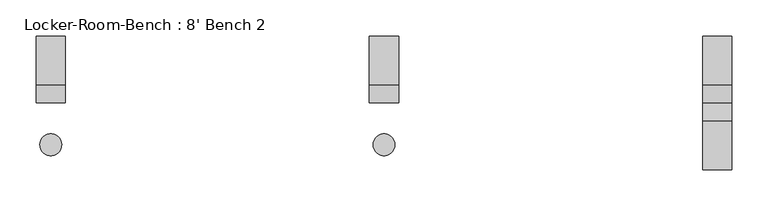
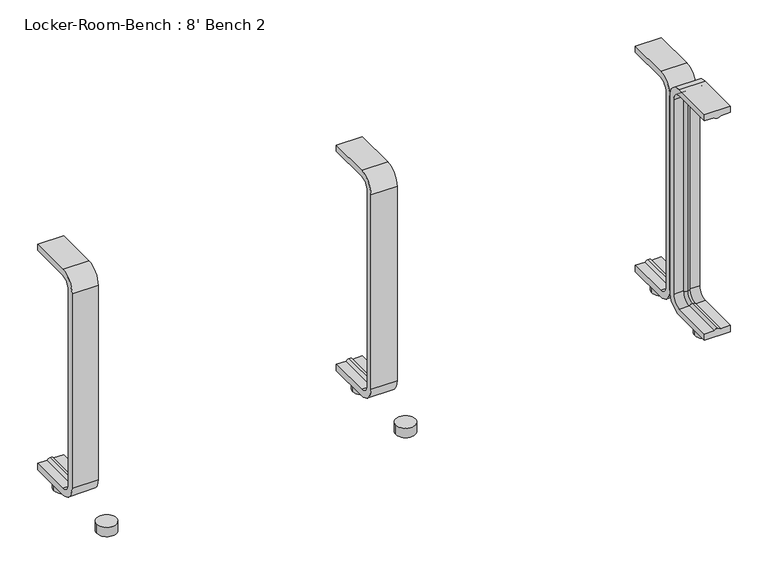
"""IFC4 building model written with IfcOpenShell, lengths in millimetres: proxy geometry, Locker-Room-Bench : 8' Bench 2."""

from ifc_helpers import new_model, si_unit, point, frame, frame_2d, origin, origin_with_axes, place, context, project, spatial, polyline, circle_curve, ellipse_curve, trimmed, segment, composite_curve, outline, extrude, source, transform, mapped, element, save
from ifc_brep_helpers import plane_surface, cylinder_surface, revolved_surface, advanced_brep


def locker_room_bench_8_bench_2_fc5dcc5e(model_context):
    return source(origin(), model_context, "Body", "SolidModel", [
        extrude(outline(composite_curve([segment(trimmed(circle_curve(frame_2d((459.6, -57.5)), 15.0), [point((444.6, -57.5))], [point((474.6, -57.5))], False, "CARTESIAN"), True, "CONTINUOUS"), segment(trimmed(circle_curve(frame_2d((459.6, -57.5)), 15.0), [point((474.6, -57.5))], [point((444.6, -57.5))], False, "CARTESIAN"), True, "CONTINUOUS")], self_intersect=False)), origin_with_axes(), (0.0, 0.0, 1.0), 15.0),
        extrude(outline(composite_curve([segment(trimmed(circle_curve(frame_2d((459.6, 57.5)), 15.0), [point((444.6, 57.5))], [point((474.6, 57.5))], False, "CARTESIAN"), True, "CONTINUOUS"), segment(trimmed(circle_curve(frame_2d((459.6, 57.5)), 15.0), [point((474.6, 57.5))], [point((444.6, 57.5))], False, "CARTESIAN"), True, "CONTINUOUS")], self_intersect=False)), origin_with_axes(), (0.0, 0.0, 1.0), 15.0),
        extrude(outline(composite_curve([segment(trimmed(circle_curve(frame_2d((0.0, -57.5)), 15.0), [point((-15.0, -57.5))], [point((15.0, -57.5))], False, "CARTESIAN"), True, "CONTINUOUS"), segment(trimmed(circle_curve(frame_2d((0.0, -57.5)), 15.0), [point((15.0, -57.5))], [point((-15.0, -57.5))], False, "CARTESIAN"), True, "CONTINUOUS")], self_intersect=False)), origin_with_axes(), (0.0, 0.0, 1.0), 15.0),
        extrude(outline(composite_curve([segment(trimmed(circle_curve(frame_2d((0.0, 57.5)), 15.0), [point((-15.0, 57.5))], [point((15.0, 57.5))], False, "CARTESIAN"), True, "CONTINUOUS"), segment(trimmed(circle_curve(frame_2d((0.0, 57.5)), 15.0), [point((15.0, 57.5))], [point((-15.0, 57.5))], False, "CARTESIAN"), True, "CONTINUOUS")], self_intersect=False)), origin_with_axes(), (0.0, 0.0, 1.0), 15.0),
        extrude(outline(composite_curve([segment(trimmed(circle_curve(frame_2d((-459.6, -57.5)), 15.0), [point((-474.6, -57.5))], [point((-444.6, -57.5))], False, "CARTESIAN"), True, "CONTINUOUS"), segment(trimmed(circle_curve(frame_2d((-459.6, -57.5)), 15.0), [point((-444.6, -57.5))], [point((-474.6, -57.5))], False, "CARTESIAN"), True, "CONTINUOUS")], self_intersect=False)), origin_with_axes(), (0.0, 0.0, 1.0), 15.0),
        extrude(outline(composite_curve([segment(trimmed(circle_curve(frame_2d((-459.6, 57.5)), 15.0), [point((-474.6, 57.5))], [point((-444.6, 57.5))], False, "CARTESIAN"), True, "CONTINUOUS"), segment(trimmed(circle_curve(frame_2d((-459.6, 57.5)), 15.0), [point((-444.6, 57.5))], [point((-474.6, 57.5))], False, "CARTESIAN"), True, "CONTINUOUS")], self_intersect=False)), origin_with_axes(), (0.0, 0.0, 1.0), 15.0),
        advanced_brep(
        [(479.6, 92.0, 381.4), (479.6, 92.0, 371.4), (464.6, 92.0, 371.4), (459.6, 92.0, 369.0684617), (454.6, 92.0, 371.4), (439.6, 92.0, 371.4), (439.6, 92.0, 381.4), (479.6, 25.0, 381.4), (479.6, 0.0, 356.4), (479.6, 0.0, 40.0), (479.6, 25.0, 15.0), (479.6, 92.0, 15.0), (479.6, 92.0, 25.0), (479.6, 25.0, 25.0), (479.6, 10.0, 40.0), (479.6, 10.0, 356.4), (479.6, 25.0, 371.4), (464.6, 25.0, 371.4), (459.6, 25.0, 369.0684617), (454.6, 25.0, 371.4), (439.6, 25.0, 371.4), (439.6, 10.0, 356.4), (439.6, 10.0, 40.0), (439.6, 25.0, 25.0), (439.6, 92.0, 25.0), (439.6, 92.0, 15.0), (439.6, 25.0, 15.0), (439.6, 0.0, 40.0), (439.6, 0.0, 356.4), (439.6, 25.0, 381.4), (464.6, 10.0, 356.4), (459.6, 12.3315383, 356.4), (454.6, 10.0, 356.4), (464.6, 10.0, 40.0), (459.6, 12.3315383, 40.0), (454.6, 10.0, 40.0), (464.6, 25.0, 25.0), (459.6, 25.0, 27.3315383), (454.6, 25.0, 25.0), (454.6, 92.0, 25.0), (459.6, 92.0, 27.3315383), (464.6, 92.0, 25.0)],
        [
            (0, 1),
            (1, 2),
            (2, 3, circle_curve(frame((459.8996409, 92.0, 374.9529162), z_axis=(0.0, 1.0, 0.0), x_axis=(0.0, 0.0, -1.0)), 5.8920785)),
            (3, 4, circle_curve(frame((459.3003591, 92.0, 374.9529162), z_axis=(0.0, 1.0, 0.0), x_axis=(0.0, 0.0, -1.0)), 5.8920785)),
            (4, 5),
            (5, 6),
            (6, 0),
            (0, 7),
            (7, 8, circle_curve(frame((479.6, 25.0, 356.4), z_axis=(1.0, 0.0, 0.0), x_axis=(0.0, 0.0, 1.0)), 25.0)),
            (8, 9),
            (9, 10, circle_curve(frame((479.6, 25.0, 40.0), z_axis=(1.0, 0.0, 0.0), x_axis=(0.0, -1.0, 0.0)), 25.0)),
            (10, 11),
            (11, 12),
            (12, 13),
            (13, 14, circle_curve(frame((479.6, 25.0, 40.0), z_axis=(-1.0, 0.0, 0.0), x_axis=(0.0, -1.0, 0.0)), 15.0)),
            (14, 15),
            (15, 16, circle_curve(frame((479.6, 25.0, 356.4), z_axis=(-1.0, 0.0, 0.0), x_axis=(0.0, 0.0, 1.0)), 15.0)),
            (16, 1),
            (16, 17),
            (17, 2),
            (17, 18, circle_curve(frame((459.8996409, 25.0, 374.9529162), z_axis=(0.0, 1.0, 0.0), x_axis=(0.0, 0.0, -1.0)), 5.8920785)),
            (18, 3),
            (18, 19, circle_curve(frame((459.3003591, 25.0, 374.9529162), z_axis=(0.0, 1.0, 0.0), x_axis=(0.0, 0.0, -1.0)), 5.8920785)),
            (19, 4),
            (19, 20),
            (20, 5),
            (20, 21, circle_curve(frame((439.6, 25.0, 356.4), z_axis=(1.0, 0.0, 0.0), x_axis=(0.0, 0.0, 1.0)), 15.0)),
            (21, 22),
            (22, 23, circle_curve(frame((439.6, 25.0, 40.0), z_axis=(1.0, 0.0, 0.0), x_axis=(0.0, -1.0, 0.0)), 15.0)),
            (23, 24),
            (24, 25),
            (25, 26),
            (26, 27, circle_curve(frame((439.6, 25.0, 40.0), z_axis=(-1.0, 0.0, 0.0), x_axis=(0.0, -1.0, 0.0)), 25.0)),
            (27, 28),
            (28, 29, circle_curve(frame((439.6, 25.0, 356.4), z_axis=(-1.0, 0.0, 0.0), x_axis=(0.0, 0.0, 1.0)), 25.0)),
            (29, 6),
            (29, 7),
            (30, 17, circle_curve(frame((464.6, 25.0, 356.4), z_axis=(-1.0, 0.0, 0.0), x_axis=(0.0, 0.0, 1.0)), 15.0)),
            (15, 30),
            (31, 18, circle_curve(frame((459.6, 25.0, 356.4), z_axis=(-1.0, 0.0, 0.0), x_axis=(0.0, 0.0, 1.0)), 12.6684617)),
            (30, 31, circle_curve(frame((459.8996409, 6.4470838, 356.4), z_axis=(0.0, 0.0, 1.0), x_axis=(0.0, 1.0, 0.0)), 5.8920785)),
            (32, 19, circle_curve(frame((454.6, 25.0, 356.4), z_axis=(-1.0, 0.0, 0.0), x_axis=(0.0, 0.0, 1.0)), 15.0)),
            (31, 32, circle_curve(frame((459.3003591, 6.4470838, 356.4), z_axis=(0.0, 0.0, 1.0), x_axis=(0.0, 1.0, 0.0)), 5.8920785)),
            (32, 21),
            (28, 8),
            (14, 33),
            (33, 30),
            (33, 34, circle_curve(frame((459.8996409, 6.4470838, 40.0), z_axis=(0.0, 0.0, 1.0), x_axis=(0.0, 1.0, 0.0)), 5.8920785)),
            (34, 31),
            (34, 35, circle_curve(frame((459.3003591, 6.4470838, 40.0), z_axis=(0.0, 0.0, 1.0), x_axis=(0.0, 1.0, 0.0)), 5.8920785)),
            (35, 32),
            (35, 22),
            (27, 9),
            (36, 33, circle_curve(frame((464.6, 25.0, 40.0), z_axis=(-1.0, 0.0, 0.0), x_axis=(0.0, -1.0, 0.0)), 15.0)),
            (13, 36),
            (37, 34, circle_curve(frame((459.6, 25.0, 40.0), z_axis=(-1.0, 0.0, 0.0), x_axis=(0.0, -1.0, 0.0)), 12.6684617)),
            (36, 37, circle_curve(frame((459.8996409, 25.0, 21.4470838), z_axis=(0.0, -1.0, 0.0), x_axis=(0.0, 0.0, 1.0)), 5.8920785)),
            (38, 35, circle_curve(frame((454.6, 25.0, 40.0), z_axis=(-1.0, 0.0, 0.0), x_axis=(0.0, -1.0, 0.0)), 15.0)),
            (37, 38, circle_curve(frame((459.3003591, 25.0, 21.4470838), z_axis=(0.0, -1.0, 0.0), x_axis=(0.0, 0.0, 1.0)), 5.8920785)),
            (38, 23),
            (26, 10),
            (11, 25),
            (24, 39),
            (39, 40, circle_curve(frame((459.3003591, 92.0, 21.4470838), z_axis=(0.0, 1.0, 0.0), x_axis=(0.0, 0.0, 1.0)), 5.8920785)),
            (40, 41, circle_curve(frame((459.8996409, 92.0, 21.4470838), z_axis=(0.0, 1.0, 0.0), x_axis=(0.0, 0.0, 1.0)), 5.8920785)),
            (41, 12),
            (41, 36),
            (40, 37),
            (39, 38),
        ],
        [
            plane_surface(frame((459.6, 92.0, 381.4), z_axis=(0.0, 1.0, 0.0), x_axis=(1.0, 0.0, 0.0))),
            plane_surface(frame((479.6, 92.0, 381.4), z_axis=(1.0, 0.0, 0.0), x_axis=(0.0, -1.0, 0.0))),
            plane_surface(frame((479.6, 92.0, 371.4), z_axis=(0.0, 0.0, -1.0), x_axis=(0.0, -1.0, 0.0))),
            cylinder_surface(frame((459.8996409, 92.0, 374.9529162), z_axis=(0.0, 1.0, 0.0), x_axis=(0.0, 0.0, -1.0)), 5.8920785),
            cylinder_surface(frame((459.3003591, 92.0, 374.9529162), z_axis=(0.0, 1.0, 0.0), x_axis=(0.0, 0.0, -1.0)), 5.8920785),
            plane_surface(frame((454.6, 92.0, 371.4), z_axis=(0.0, 0.0, -1.0), x_axis=(0.0, -1.0, 0.0))),
            plane_surface(frame((439.6, 92.0, 371.4), z_axis=(-1.0, 0.0, 0.0), x_axis=(0.0, -1.0, 0.0))),
            plane_surface(frame((439.6, 92.0, 381.4), z_axis=(0.0, 0.0, 1.0), x_axis=(0.0, -1.0, 0.0))),
            revolved_surface(polyline([(479.6, 25.0, 371.4), (464.6, 25.0, 371.4)]), (459.6, 25.0, 356.4), (1.0, 0.0, 0.0)),
            revolved_surface(trimmed(ellipse_curve(frame((459.8996409, 25.0, 374.9529162), z_axis=(0.0, 1.0, 0.0), x_axis=(0.0, 0.0, -1.0)), 5.8920785, 5.8920785), [point((464.6, 25.0, 371.4))], [point((459.6, 25.0, 369.0684617))], True, "CARTESIAN"), (459.6, 25.0, 356.4), (1.0, 0.0, 0.0)),
            revolved_surface(trimmed(ellipse_curve(frame((459.3003591, 25.0, 374.9529162), z_axis=(0.0, 1.0, 0.0), x_axis=(0.0, 0.0, -1.0)), 5.8920785, 5.8920785), [point((459.6, 25.0, 369.0684617))], [point((454.6, 25.0, 371.4))], True, "CARTESIAN"), (459.6, 25.0, 356.4), (1.0, 0.0, 0.0)),
            revolved_surface(polyline([(454.6, 25.0, 371.4), (439.6, 25.0, 371.4)]), (459.6, 25.0, 356.4), (1.0, 0.0, 0.0)),
            cylinder_surface(frame((459.6, 25.0, 356.4), z_axis=(1.0, 0.0, 0.0), x_axis=(0.0, 0.0, 1.0)), 25.0),
            plane_surface(frame((479.6, 10.0, 356.4), z_axis=(0.0, 1.0, 0.0), x_axis=(0.0, 0.0, -1.0))),
            cylinder_surface(frame((459.8996409, 6.4470838, 356.4), z_axis=(0.0, 0.0, 1.0), x_axis=(0.0, 1.0, 0.0)), 5.8920785),
            cylinder_surface(frame((459.3003591, 6.4470838, 356.4), z_axis=(0.0, 0.0, 1.0), x_axis=(0.0, 1.0, 0.0)), 5.8920785),
            plane_surface(frame((454.6, 10.0, 356.4), z_axis=(0.0, 1.0, 0.0), x_axis=(0.0, 0.0, -1.0))),
            plane_surface(frame((439.6, 0.0, 356.4), z_axis=(0.0, -1.0, 0.0), x_axis=(0.0, 0.0, -1.0))),
            revolved_surface(polyline([(479.6, 10.0, 40.0), (464.6, 10.0, 40.0)]), (459.6, 25.0, 40.0), (1.0, 0.0, 0.0)),
            revolved_surface(trimmed(ellipse_curve(frame((459.8996409, 6.4470838, 40.0), z_axis=(0.0, 0.0, 1.0), x_axis=(0.0, 1.0, 0.0)), 5.8920785, 5.8920785), [point((464.6, 10.0, 40.0))], [point((459.6, 12.3315383, 40.0))], True, "CARTESIAN"), (459.6, 25.0, 40.0), (1.0, 0.0, 0.0)),
            revolved_surface(trimmed(ellipse_curve(frame((459.3003591, 6.4470838, 40.0), z_axis=(0.0, 0.0, 1.0), x_axis=(0.0, 1.0, 0.0)), 5.8920785, 5.8920785), [point((459.6, 12.3315383, 40.0))], [point((454.6, 10.0, 40.0))], True, "CARTESIAN"), (459.6, 25.0, 40.0), (1.0, 0.0, 0.0)),
            revolved_surface(polyline([(454.6, 10.0, 40.0), (439.6, 10.0, 40.0)]), (459.6, 25.0, 40.0), (1.0, 0.0, 0.0)),
            cylinder_surface(frame((459.6, 25.0, 40.0), z_axis=(1.0, 0.0, 0.0), x_axis=(0.0, -1.0, 0.0)), 25.0),
            plane_surface(frame((459.6, 92.0, 15.0), z_axis=(0.0, 1.0, 0.0), x_axis=(1.0, 0.0, 0.0))),
            plane_surface(frame((479.6, 25.0, 25.0), z_axis=(0.0, 0.0, 1.0), x_axis=(0.0, 1.0, 0.0))),
            cylinder_surface(frame((459.8996409, 25.0, 21.4470838), z_axis=(0.0, -1.0, 0.0), x_axis=(0.0, 0.0, 1.0)), 5.8920785),
            cylinder_surface(frame((459.3003591, 25.0, 21.4470838), z_axis=(0.0, -1.0, 0.0), x_axis=(0.0, 0.0, 1.0)), 5.8920785),
            plane_surface(frame((454.6, 25.0, 25.0), z_axis=(0.0, 0.0, 1.0), x_axis=(0.0, 1.0, 0.0))),
            plane_surface(frame((439.6, 25.0, 15.0), z_axis=(0.0, 0.0, -1.0), x_axis=(0.0, 1.0, 0.0))),
        ],
        [
            (0, [[1, 2, 3, 4, 5, 6, 7]]),
            (1, [[-1, 8, 9, 10, 11, 12, 13, 14, 15, 16, 17, 18]]),
            (2, [[-2, -18, 19, 20]]),
            (3, [[-3, -20, 21, 22]]),
            (4, [[-4, -22, 23, 24]]),
            (5, [[-5, -24, 25, 26]]),
            (6, [[-6, -26, 27, 28, 29, 30, 31, 32, 33, 34, 35, 36]]),
            (7, [[-7, -36, 37, -8]]),
            (8, [[38, -19, -17, 39]]),
            (9, [[40, -21, -38, 41]]),
            (10, [[42, -23, -40, 43]]),
            (11, [[-27, -25, -42, 44]]),
            (12, [[-9, -37, -35, 45]]),
            (13, [[-39, -16, 46, 47]]),
            (14, [[-41, -47, 48, 49]]),
            (15, [[-43, -49, 50, 51]]),
            (16, [[-44, -51, 52, -28]]),
            (17, [[-45, -34, 53, -10]]),
            (18, [[54, -46, -15, 55]]),
            (19, [[56, -48, -54, 57]]),
            (20, [[58, -50, -56, 59]]),
            (21, [[-29, -52, -58, 60]]),
            (22, [[-11, -53, -33, 61]]),
            (23, [[62, -31, 63, 64, 65, 66, -13]]),
            (24, [[-55, -14, -66, 67]]),
            (25, [[-57, -67, -65, 68]]),
            (26, [[-59, -68, -64, 69]]),
            (27, [[-60, -69, -63, -30]]),
            (28, [[-61, -32, -62, -12]]),
        ],
    ),
        advanced_brep(
        [(20.0, 92.0, 381.4), (20.0, 92.0, 371.4), (5.0, 92.0, 371.4), (0.0, 92.0, 369.0684617), (-5.0, 92.0, 371.4), (-20.0, 92.0, 371.4), (-20.0, 92.0, 381.4), (20.0, 25.0, 381.4), (20.0, 0.0, 356.4), (20.0, 0.0, 40.0), (20.0, 25.0, 15.0), (20.0, 92.0, 15.0), (20.0, 92.0, 25.0), (20.0, 25.0, 25.0), (20.0, 10.0, 40.0), (20.0, 10.0, 356.4), (20.0, 25.0, 371.4), (5.0, 25.0, 371.4), (0.0, 25.0, 369.0684617), (-5.0, 25.0, 371.4), (-20.0, 25.0, 371.4), (-20.0, 10.0, 356.4), (-20.0, 10.0, 40.0), (-20.0, 25.0, 25.0), (-20.0, 92.0, 25.0), (-20.0, 92.0, 15.0), (-20.0, 25.0, 15.0), (-20.0, 0.0, 40.0), (-20.0, 0.0, 356.4), (-20.0, 25.0, 381.4), (5.0, 10.0, 356.4), (0.0, 12.3315383, 356.4), (-5.0, 10.0, 356.4), (5.0, 10.0, 40.0), (0.0, 12.3315383, 40.0), (-5.0, 10.0, 40.0), (5.0, 25.0, 25.0), (0.0, 25.0, 27.3315383), (-5.0, 25.0, 25.0), (-5.0, 92.0, 25.0), (0.0, 92.0, 27.3315383), (5.0, 92.0, 25.0)],
        [
            (0, 1),
            (1, 2),
            (2, 3, circle_curve(frame((0.2996409, 92.0, 374.9529162), z_axis=(0.0, 1.0, 0.0), x_axis=(0.0, 0.0, -1.0)), 5.8920785)),
            (3, 4, circle_curve(frame((-0.2996409, 92.0, 374.9529162), z_axis=(0.0, 1.0, 0.0), x_axis=(0.0, 0.0, -1.0)), 5.8920785)),
            (4, 5),
            (5, 6),
            (6, 0),
            (0, 7),
            (7, 8, circle_curve(frame((20.0, 25.0, 356.4), z_axis=(1.0, 0.0, 0.0), x_axis=(0.0, 0.0, 1.0)), 25.0)),
            (8, 9),
            (9, 10, circle_curve(frame((20.0, 25.0, 40.0), z_axis=(1.0, 0.0, 0.0), x_axis=(0.0, -1.0, 0.0)), 25.0)),
            (10, 11),
            (11, 12),
            (12, 13),
            (13, 14, circle_curve(frame((20.0, 25.0, 40.0), z_axis=(-1.0, 0.0, 0.0), x_axis=(0.0, -1.0, 0.0)), 15.0)),
            (14, 15),
            (15, 16, circle_curve(frame((20.0, 25.0, 356.4), z_axis=(-1.0, 0.0, 0.0), x_axis=(0.0, 0.0, 1.0)), 15.0)),
            (16, 1),
            (16, 17),
            (17, 2),
            (17, 18, circle_curve(frame((0.2996409, 25.0, 374.9529162), z_axis=(0.0, 1.0, 0.0), x_axis=(0.0, 0.0, -1.0)), 5.8920785)),
            (18, 3),
            (18, 19, circle_curve(frame((-0.2996409, 25.0, 374.9529162), z_axis=(0.0, 1.0, 0.0), x_axis=(0.0, 0.0, -1.0)), 5.8920785)),
            (19, 4),
            (19, 20),
            (20, 5),
            (20, 21, circle_curve(frame((-20.0, 25.0, 356.4), z_axis=(1.0, 0.0, 0.0), x_axis=(0.0, 0.0, 1.0)), 15.0)),
            (21, 22),
            (22, 23, circle_curve(frame((-20.0, 25.0, 40.0), z_axis=(1.0, 0.0, 0.0), x_axis=(0.0, -1.0, 0.0)), 15.0)),
            (23, 24),
            (24, 25),
            (25, 26),
            (26, 27, circle_curve(frame((-20.0, 25.0, 40.0), z_axis=(-1.0, 0.0, 0.0), x_axis=(0.0, -1.0, 0.0)), 25.0)),
            (27, 28),
            (28, 29, circle_curve(frame((-20.0, 25.0, 356.4), z_axis=(-1.0, 0.0, 0.0), x_axis=(0.0, 0.0, 1.0)), 25.0)),
            (29, 6),
            (29, 7),
            (30, 17, circle_curve(frame((5.0, 25.0, 356.4), z_axis=(-1.0, 0.0, 0.0), x_axis=(0.0, 0.0, 1.0)), 15.0)),
            (15, 30),
            (31, 18, circle_curve(frame((0.0, 25.0, 356.4), z_axis=(-1.0, 0.0, 0.0), x_axis=(0.0, 0.0, 1.0)), 12.6684617)),
            (30, 31, circle_curve(frame((0.2996409, 6.4470838, 356.4), z_axis=(0.0, 0.0, 1.0), x_axis=(0.0, 1.0, 0.0)), 5.8920785)),
            (32, 19, circle_curve(frame((-5.0, 25.0, 356.4), z_axis=(-1.0, 0.0, 0.0), x_axis=(0.0, 0.0, 1.0)), 15.0)),
            (31, 32, circle_curve(frame((-0.2996409, 6.4470838, 356.4), z_axis=(0.0, 0.0, 1.0), x_axis=(0.0, 1.0, 0.0)), 5.8920785)),
            (32, 21),
            (28, 8),
            (14, 33),
            (33, 30),
            (33, 34, circle_curve(frame((0.2996409, 6.4470838, 40.0), z_axis=(0.0, 0.0, 1.0), x_axis=(0.0, 1.0, 0.0)), 5.8920785)),
            (34, 31),
            (34, 35, circle_curve(frame((-0.2996409, 6.4470838, 40.0), z_axis=(0.0, 0.0, 1.0), x_axis=(0.0, 1.0, 0.0)), 5.8920785)),
            (35, 32),
            (35, 22),
            (27, 9),
            (36, 33, circle_curve(frame((5.0, 25.0, 40.0), z_axis=(-1.0, 0.0, 0.0), x_axis=(0.0, -1.0, 0.0)), 15.0)),
            (13, 36),
            (37, 34, circle_curve(frame((0.0, 25.0, 40.0), z_axis=(-1.0, 0.0, 0.0), x_axis=(0.0, -1.0, 0.0)), 12.6684617)),
            (36, 37, circle_curve(frame((0.2996409, 25.0, 21.4470838), z_axis=(0.0, -1.0, 0.0), x_axis=(0.0, 0.0, 1.0)), 5.8920785)),
            (38, 35, circle_curve(frame((-5.0, 25.0, 40.0), z_axis=(-1.0, 0.0, 0.0), x_axis=(0.0, -1.0, 0.0)), 15.0)),
            (37, 38, circle_curve(frame((-0.2996409, 25.0, 21.4470838), z_axis=(0.0, -1.0, 0.0), x_axis=(0.0, 0.0, 1.0)), 5.8920785)),
            (38, 23),
            (26, 10),
            (11, 25),
            (24, 39),
            (39, 40, circle_curve(frame((-0.2996409, 92.0, 21.4470838), z_axis=(0.0, 1.0, 0.0), x_axis=(0.0, 0.0, 1.0)), 5.8920785)),
            (40, 41, circle_curve(frame((0.2996409, 92.0, 21.4470838), z_axis=(0.0, 1.0, 0.0), x_axis=(0.0, 0.0, 1.0)), 5.8920785)),
            (41, 12),
            (41, 36),
            (40, 37),
            (39, 38),
        ],
        [
            plane_surface(frame((0.0, 92.0, 381.4), z_axis=(0.0, 1.0, 0.0), x_axis=(1.0, 0.0, 0.0))),
            plane_surface(frame((20.0, 92.0, 381.4), z_axis=(1.0, 0.0, 0.0), x_axis=(0.0, -1.0, 0.0))),
            plane_surface(frame((20.0, 92.0, 371.4), z_axis=(0.0, 0.0, -1.0), x_axis=(0.0, -1.0, 0.0))),
            cylinder_surface(frame((0.2996409, 92.0, 374.9529162), z_axis=(0.0, 1.0, 0.0), x_axis=(0.0, 0.0, -1.0)), 5.8920785),
            cylinder_surface(frame((-0.2996409, 92.0, 374.9529162), z_axis=(0.0, 1.0, 0.0), x_axis=(0.0, 0.0, -1.0)), 5.8920785),
            plane_surface(frame((-5.0, 92.0, 371.4), z_axis=(0.0, 0.0, -1.0), x_axis=(0.0, -1.0, 0.0))),
            plane_surface(frame((-20.0, 92.0, 371.4), z_axis=(-1.0, 0.0, 0.0), x_axis=(0.0, -1.0, 0.0))),
            plane_surface(frame((-20.0, 92.0, 381.4), z_axis=(0.0, 0.0, 1.0), x_axis=(0.0, -1.0, 0.0))),
            revolved_surface(polyline([(20.0, 25.0, 371.4), (5.0, 25.0, 371.4)]), (0.0, 25.0, 356.4), (1.0, 0.0, 0.0)),
            revolved_surface(trimmed(ellipse_curve(frame((0.2996409, 25.0, 374.9529162), z_axis=(0.0, 1.0, 0.0), x_axis=(0.0, 0.0, -1.0)), 5.8920785, 5.8920785), [point((5.0, 25.0, 371.4))], [point((0.0, 25.0, 369.0684617))], True, "CARTESIAN"), (0.0, 25.0, 356.4), (1.0, 0.0, 0.0)),
            revolved_surface(trimmed(ellipse_curve(frame((-0.2996409, 25.0, 374.9529162), z_axis=(0.0, 1.0, 0.0), x_axis=(0.0, 0.0, -1.0)), 5.8920785, 5.8920785), [point((0.0, 25.0, 369.0684617))], [point((-5.0, 25.0, 371.4))], True, "CARTESIAN"), (0.0, 25.0, 356.4), (1.0, 0.0, 0.0)),
            revolved_surface(polyline([(-5.0, 25.0, 371.4), (-20.0, 25.0, 371.4)]), (0.0, 25.0, 356.4), (1.0, 0.0, 0.0)),
            cylinder_surface(frame((0.0, 25.0, 356.4), z_axis=(1.0, 0.0, 0.0), x_axis=(0.0, 0.0, 1.0)), 25.0),
            plane_surface(frame((20.0, 10.0, 356.4), z_axis=(0.0, 1.0, 0.0), x_axis=(0.0, 0.0, -1.0))),
            cylinder_surface(frame((0.2996409, 6.4470838, 356.4), z_axis=(0.0, 0.0, 1.0), x_axis=(0.0, 1.0, 0.0)), 5.8920785),
            cylinder_surface(frame((-0.2996409, 6.4470838, 356.4), z_axis=(0.0, 0.0, 1.0), x_axis=(0.0, 1.0, 0.0)), 5.8920785),
            plane_surface(frame((-5.0, 10.0, 356.4), z_axis=(0.0, 1.0, 0.0), x_axis=(0.0, 0.0, -1.0))),
            plane_surface(frame((-20.0, 0.0, 356.4), z_axis=(0.0, -1.0, 0.0), x_axis=(0.0, 0.0, -1.0))),
            revolved_surface(polyline([(20.0, 10.0, 40.0), (5.0, 10.0, 40.0)]), (0.0, 25.0, 40.0), (1.0, 0.0, 0.0)),
            revolved_surface(trimmed(ellipse_curve(frame((0.2996409, 6.4470838, 40.0), z_axis=(0.0, 0.0, 1.0), x_axis=(0.0, 1.0, 0.0)), 5.8920785, 5.8920785), [point((5.0, 10.0, 40.0))], [point((0.0, 12.3315383, 40.0))], True, "CARTESIAN"), (0.0, 25.0, 40.0), (1.0, 0.0, 0.0)),
            revolved_surface(trimmed(ellipse_curve(frame((-0.2996409, 6.4470838, 40.0), z_axis=(0.0, 0.0, 1.0), x_axis=(0.0, 1.0, 0.0)), 5.8920785, 5.8920785), [point((0.0, 12.3315383, 40.0))], [point((-5.0, 10.0, 40.0))], True, "CARTESIAN"), (0.0, 25.0, 40.0), (1.0, 0.0, 0.0)),
            revolved_surface(polyline([(-5.0, 10.0, 40.0), (-20.0, 10.0, 40.0)]), (0.0, 25.0, 40.0), (1.0, 0.0, 0.0)),
            cylinder_surface(frame((0.0, 25.0, 40.0), z_axis=(1.0, 0.0, 0.0), x_axis=(0.0, -1.0, 0.0)), 25.0),
            plane_surface(frame((0.0, 92.0, 15.0), z_axis=(0.0, 1.0, 0.0), x_axis=(1.0, 0.0, 0.0))),
            plane_surface(frame((20.0, 25.0, 25.0), z_axis=(0.0, 0.0, 1.0), x_axis=(0.0, 1.0, 0.0))),
            cylinder_surface(frame((0.2996409, 25.0, 21.4470838), z_axis=(0.0, -1.0, 0.0), x_axis=(0.0, 0.0, 1.0)), 5.8920785),
            cylinder_surface(frame((-0.2996409, 25.0, 21.4470838), z_axis=(0.0, -1.0, 0.0), x_axis=(0.0, 0.0, 1.0)), 5.8920785),
            plane_surface(frame((-5.0, 25.0, 25.0), z_axis=(0.0, 0.0, 1.0), x_axis=(0.0, 1.0, 0.0))),
            plane_surface(frame((-20.0, 25.0, 15.0), z_axis=(0.0, 0.0, -1.0), x_axis=(0.0, 1.0, 0.0))),
        ],
        [
            (0, [[1, 2, 3, 4, 5, 6, 7]]),
            (1, [[-1, 8, 9, 10, 11, 12, 13, 14, 15, 16, 17, 18]]),
            (2, [[-2, -18, 19, 20]]),
            (3, [[-3, -20, 21, 22]]),
            (4, [[-4, -22, 23, 24]]),
            (5, [[-5, -24, 25, 26]]),
            (6, [[-6, -26, 27, 28, 29, 30, 31, 32, 33, 34, 35, 36]]),
            (7, [[-7, -36, 37, -8]]),
            (8, [[38, -19, -17, 39]]),
            (9, [[40, -21, -38, 41]]),
            (10, [[42, -23, -40, 43]]),
            (11, [[-27, -25, -42, 44]]),
            (12, [[-9, -37, -35, 45]]),
            (13, [[-39, -16, 46, 47]]),
            (14, [[-41, -47, 48, 49]]),
            (15, [[-43, -49, 50, 51]]),
            (16, [[-44, -51, 52, -28]]),
            (17, [[-45, -34, 53, -10]]),
            (18, [[54, -46, -15, 55]]),
            (19, [[56, -48, -54, 57]]),
            (20, [[58, -50, -56, 59]]),
            (21, [[-29, -52, -58, 60]]),
            (22, [[-11, -53, -33, 61]]),
            (23, [[62, -31, 63, 64, 65, 66, -13]]),
            (24, [[-55, -14, -66, 67]]),
            (25, [[-57, -67, -65, 68]]),
            (26, [[-59, -68, -64, 69]]),
            (27, [[-60, -69, -63, -30]]),
            (28, [[-61, -32, -62, -12]]),
        ],
    ),
        advanced_brep(
        [(-439.6, 92.0, 381.4), (-439.6, 92.0, 371.4), (-454.6, 92.0, 371.4), (-459.6, 92.0, 369.0684617), (-464.6, 92.0, 371.4), (-479.6, 92.0, 371.4), (-479.6, 92.0, 381.4), (-439.6, 25.0, 381.4), (-439.6, 0.0, 356.4), (-439.6, 0.0, 40.0), (-439.6, 25.0, 15.0), (-439.6, 92.0, 15.0), (-439.6, 92.0, 25.0), (-439.6, 25.0, 25.0), (-439.6, 10.0, 40.0), (-439.6, 10.0, 356.4), (-439.6, 25.0, 371.4), (-454.6, 25.0, 371.4), (-459.6, 25.0, 369.0684617), (-464.6, 25.0, 371.4), (-479.6, 25.0, 371.4), (-479.6, 10.0, 356.4), (-479.6, 10.0, 40.0), (-479.6, 25.0, 25.0), (-479.6, 92.0, 25.0), (-479.6, 92.0, 15.0), (-479.6, 25.0, 15.0), (-479.6, 0.0, 40.0), (-479.6, 0.0, 356.4), (-479.6, 25.0, 381.4), (-454.6, 10.0, 356.4), (-459.6, 12.3315383, 356.4), (-464.6, 10.0, 356.4), (-454.6, 10.0, 40.0), (-459.6, 12.3315383, 40.0), (-464.6, 10.0, 40.0), (-454.6, 25.0, 25.0), (-459.6, 25.0, 27.3315383), (-464.6, 25.0, 25.0), (-464.6, 92.0, 25.0), (-459.6, 92.0, 27.3315383), (-454.6, 92.0, 25.0)],
        [
            (0, 1),
            (1, 2),
            (2, 3, circle_curve(frame((-459.3003591, 92.0, 374.9529162), z_axis=(0.0, 1.0, 0.0), x_axis=(0.0, 0.0, -1.0)), 5.8920785)),
            (3, 4, circle_curve(frame((-459.8996409, 92.0, 374.9529162), z_axis=(0.0, 1.0, 0.0), x_axis=(0.0, 0.0, -1.0)), 5.8920785)),
            (4, 5),
            (5, 6),
            (6, 0),
            (0, 7),
            (7, 8, circle_curve(frame((-439.6, 25.0, 356.4), z_axis=(1.0, 0.0, 0.0), x_axis=(0.0, 0.0, 1.0)), 25.0)),
            (8, 9),
            (9, 10, circle_curve(frame((-439.6, 25.0, 40.0), z_axis=(1.0, 0.0, 0.0), x_axis=(0.0, -1.0, 0.0)), 25.0)),
            (10, 11),
            (11, 12),
            (12, 13),
            (13, 14, circle_curve(frame((-439.6, 25.0, 40.0), z_axis=(-1.0, 0.0, 0.0), x_axis=(0.0, -1.0, 0.0)), 15.0)),
            (14, 15),
            (15, 16, circle_curve(frame((-439.6, 25.0, 356.4), z_axis=(-1.0, 0.0, 0.0), x_axis=(0.0, 0.0, 1.0)), 15.0)),
            (16, 1),
            (16, 17),
            (17, 2),
            (17, 18, circle_curve(frame((-459.3003591, 25.0, 374.9529162), z_axis=(0.0, 1.0, 0.0), x_axis=(0.0, 0.0, -1.0)), 5.8920785)),
            (18, 3),
            (18, 19, circle_curve(frame((-459.8996409, 25.0, 374.9529162), z_axis=(0.0, 1.0, 0.0), x_axis=(0.0, 0.0, -1.0)), 5.8920785)),
            (19, 4),
            (19, 20),
            (20, 5),
            (20, 21, circle_curve(frame((-479.6, 25.0, 356.4), z_axis=(1.0, 0.0, 0.0), x_axis=(0.0, 0.0, 1.0)), 15.0)),
            (21, 22),
            (22, 23, circle_curve(frame((-479.6, 25.0, 40.0), z_axis=(1.0, 0.0, 0.0), x_axis=(0.0, -1.0, 0.0)), 15.0)),
            (23, 24),
            (24, 25),
            (25, 26),
            (26, 27, circle_curve(frame((-479.6, 25.0, 40.0), z_axis=(-1.0, 0.0, 0.0), x_axis=(0.0, -1.0, 0.0)), 25.0)),
            (27, 28),
            (28, 29, circle_curve(frame((-479.6, 25.0, 356.4), z_axis=(-1.0, 0.0, 0.0), x_axis=(0.0, 0.0, 1.0)), 25.0)),
            (29, 6),
            (29, 7),
            (30, 17, circle_curve(frame((-454.6, 25.0, 356.4), z_axis=(-1.0, 0.0, 0.0), x_axis=(0.0, 0.0, 1.0)), 15.0)),
            (15, 30),
            (31, 18, circle_curve(frame((-459.6, 25.0, 356.4), z_axis=(-1.0, 0.0, 0.0), x_axis=(0.0, 0.0, 1.0)), 12.6684617)),
            (30, 31, circle_curve(frame((-459.3003591, 6.4470838, 356.4), z_axis=(0.0, 0.0, 1.0), x_axis=(0.0, 1.0, 0.0)), 5.8920785)),
            (32, 19, circle_curve(frame((-464.6, 25.0, 356.4), z_axis=(-1.0, 0.0, 0.0), x_axis=(0.0, 0.0, 1.0)), 15.0)),
            (31, 32, circle_curve(frame((-459.8996409, 6.4470838, 356.4), z_axis=(0.0, 0.0, 1.0), x_axis=(0.0, 1.0, 0.0)), 5.8920785)),
            (32, 21),
            (28, 8),
            (14, 33),
            (33, 30),
            (33, 34, circle_curve(frame((-459.3003591, 6.4470838, 40.0), z_axis=(0.0, 0.0, 1.0), x_axis=(0.0, 1.0, 0.0)), 5.8920785)),
            (34, 31),
            (34, 35, circle_curve(frame((-459.8996409, 6.4470838, 40.0), z_axis=(0.0, 0.0, 1.0), x_axis=(0.0, 1.0, 0.0)), 5.8920785)),
            (35, 32),
            (35, 22),
            (27, 9),
            (36, 33, circle_curve(frame((-454.6, 25.0, 40.0), z_axis=(-1.0, 0.0, 0.0), x_axis=(0.0, -1.0, 0.0)), 15.0)),
            (13, 36),
            (37, 34, circle_curve(frame((-459.6, 25.0, 40.0), z_axis=(-1.0, 0.0, 0.0), x_axis=(0.0, -1.0, 0.0)), 12.6684617)),
            (36, 37, circle_curve(frame((-459.3003591, 25.0, 21.4470838), z_axis=(0.0, -1.0, 0.0), x_axis=(0.0, 0.0, 1.0)), 5.8920785)),
            (38, 35, circle_curve(frame((-464.6, 25.0, 40.0), z_axis=(-1.0, 0.0, 0.0), x_axis=(0.0, -1.0, 0.0)), 15.0)),
            (37, 38, circle_curve(frame((-459.8996409, 25.0, 21.4470838), z_axis=(0.0, -1.0, 0.0), x_axis=(0.0, 0.0, 1.0)), 5.8920785)),
            (38, 23),
            (26, 10),
            (11, 25),
            (24, 39),
            (39, 40, circle_curve(frame((-459.8996409, 92.0, 21.4470838), z_axis=(0.0, 1.0, 0.0), x_axis=(0.0, 0.0, 1.0)), 5.8920785)),
            (40, 41, circle_curve(frame((-459.3003591, 92.0, 21.4470838), z_axis=(0.0, 1.0, 0.0), x_axis=(0.0, 0.0, 1.0)), 5.8920785)),
            (41, 12),
            (41, 36),
            (40, 37),
            (39, 38),
        ],
        [
            plane_surface(frame((-459.6, 92.0, 381.4), z_axis=(0.0, 1.0, 0.0), x_axis=(1.0, 0.0, 0.0))),
            plane_surface(frame((-439.6, 92.0, 381.4), z_axis=(1.0, 0.0, 0.0), x_axis=(0.0, -1.0, 0.0))),
            plane_surface(frame((-439.6, 92.0, 371.4), z_axis=(0.0, 0.0, -1.0), x_axis=(0.0, -1.0, 0.0))),
            cylinder_surface(frame((-459.3003591, 92.0, 374.9529162), z_axis=(0.0, 1.0, 0.0), x_axis=(0.0, 0.0, -1.0)), 5.8920785),
            cylinder_surface(frame((-459.8996409, 92.0, 374.9529162), z_axis=(0.0, 1.0, 0.0), x_axis=(0.0, 0.0, -1.0)), 5.8920785),
            plane_surface(frame((-464.6, 92.0, 371.4), z_axis=(0.0, 0.0, -1.0), x_axis=(0.0, -1.0, 0.0))),
            plane_surface(frame((-479.6, 92.0, 371.4), z_axis=(-1.0, 0.0, 0.0), x_axis=(0.0, -1.0, 0.0))),
            plane_surface(frame((-479.6, 92.0, 381.4), z_axis=(0.0, 0.0, 1.0), x_axis=(0.0, -1.0, 0.0))),
            revolved_surface(polyline([(-439.6, 25.0, 371.4), (-454.6, 25.0, 371.4)]), (-459.6, 25.0, 356.4), (1.0, 0.0, 0.0)),
            revolved_surface(trimmed(ellipse_curve(frame((-459.3003591, 25.0, 374.9529162), z_axis=(0.0, 1.0, 0.0), x_axis=(0.0, 0.0, -1.0)), 5.8920785, 5.8920785), [point((-454.6, 25.0, 371.4))], [point((-459.6, 25.0, 369.0684617))], True, "CARTESIAN"), (-459.6, 25.0, 356.4), (1.0, 0.0, 0.0)),
            revolved_surface(trimmed(ellipse_curve(frame((-459.8996409, 25.0, 374.9529162), z_axis=(0.0, 1.0, 0.0), x_axis=(0.0, 0.0, -1.0)), 5.8920785, 5.8920785), [point((-459.6, 25.0, 369.0684617))], [point((-464.6, 25.0, 371.4))], True, "CARTESIAN"), (-459.6, 25.0, 356.4), (1.0, 0.0, 0.0)),
            revolved_surface(polyline([(-464.6, 25.0, 371.4), (-479.6, 25.0, 371.4)]), (-459.6, 25.0, 356.4), (1.0, 0.0, 0.0)),
            cylinder_surface(frame((-459.6, 25.0, 356.4), z_axis=(1.0, 0.0, 0.0), x_axis=(0.0, 0.0, 1.0)), 25.0),
            plane_surface(frame((-439.6, 10.0, 356.4), z_axis=(0.0, 1.0, 0.0), x_axis=(0.0, 0.0, -1.0))),
            cylinder_surface(frame((-459.3003591, 6.4470838, 356.4), z_axis=(0.0, 0.0, 1.0), x_axis=(0.0, 1.0, 0.0)), 5.8920785),
            cylinder_surface(frame((-459.8996409, 6.4470838, 356.4), z_axis=(0.0, 0.0, 1.0), x_axis=(0.0, 1.0, 0.0)), 5.8920785),
            plane_surface(frame((-464.6, 10.0, 356.4), z_axis=(0.0, 1.0, 0.0), x_axis=(0.0, 0.0, -1.0))),
            plane_surface(frame((-479.6, 0.0, 356.4), z_axis=(0.0, -1.0, 0.0), x_axis=(0.0, 0.0, -1.0))),
            revolved_surface(polyline([(-439.6, 10.0, 40.0), (-454.6, 10.0, 40.0)]), (-459.6, 25.0, 40.0), (1.0, 0.0, 0.0)),
            revolved_surface(trimmed(ellipse_curve(frame((-459.3003591, 6.4470838, 40.0), z_axis=(0.0, 0.0, 1.0), x_axis=(0.0, 1.0, 0.0)), 5.8920785, 5.8920785), [point((-454.6, 10.0, 40.0))], [point((-459.6, 12.3315383, 40.0))], True, "CARTESIAN"), (-459.6, 25.0, 40.0), (1.0, 0.0, 0.0)),
            revolved_surface(trimmed(ellipse_curve(frame((-459.8996409, 6.4470838, 40.0), z_axis=(0.0, 0.0, 1.0), x_axis=(0.0, 1.0, 0.0)), 5.8920785, 5.8920785), [point((-459.6, 12.3315383, 40.0))], [point((-464.6, 10.0, 40.0))], True, "CARTESIAN"), (-459.6, 25.0, 40.0), (1.0, 0.0, 0.0)),
            revolved_surface(polyline([(-464.6, 10.0, 40.0), (-479.6, 10.0, 40.0)]), (-459.6, 25.0, 40.0), (1.0, 0.0, 0.0)),
            cylinder_surface(frame((-459.6, 25.0, 40.0), z_axis=(1.0, 0.0, 0.0), x_axis=(0.0, -1.0, 0.0)), 25.0),
            plane_surface(frame((-459.6, 92.0, 15.0), z_axis=(0.0, 1.0, 0.0), x_axis=(1.0, 0.0, 0.0))),
            plane_surface(frame((-439.6, 25.0, 25.0), z_axis=(0.0, 0.0, 1.0), x_axis=(0.0, 1.0, 0.0))),
            cylinder_surface(frame((-459.3003591, 25.0, 21.4470838), z_axis=(0.0, -1.0, 0.0), x_axis=(0.0, 0.0, 1.0)), 5.8920785),
            cylinder_surface(frame((-459.8996409, 25.0, 21.4470838), z_axis=(0.0, -1.0, 0.0), x_axis=(0.0, 0.0, 1.0)), 5.8920785),
            plane_surface(frame((-464.6, 25.0, 25.0), z_axis=(0.0, 0.0, 1.0), x_axis=(0.0, 1.0, 0.0))),
            plane_surface(frame((-479.6, 25.0, 15.0), z_axis=(0.0, 0.0, -1.0), x_axis=(0.0, 1.0, 0.0))),
        ],
        [
            (0, [[1, 2, 3, 4, 5, 6, 7]]),
            (1, [[-1, 8, 9, 10, 11, 12, 13, 14, 15, 16, 17, 18]]),
            (2, [[-2, -18, 19, 20]]),
            (3, [[-3, -20, 21, 22]]),
            (4, [[-4, -22, 23, 24]]),
            (5, [[-5, -24, 25, 26]]),
            (6, [[-6, -26, 27, 28, 29, 30, 31, 32, 33, 34, 35, 36]]),
            (7, [[-7, -36, 37, -8]]),
            (8, [[38, -19, -17, 39]]),
            (9, [[40, -21, -38, 41]]),
            (10, [[42, -23, -40, 43]]),
            (11, [[-27, -25, -42, 44]]),
            (12, [[-9, -37, -35, 45]]),
            (13, [[-39, -16, 46, 47]]),
            (14, [[-41, -47, 48, 49]]),
            (15, [[-43, -49, 50, 51]]),
            (16, [[-44, -51, 52, -28]]),
            (17, [[-45, -34, 53, -10]]),
            (18, [[54, -46, -15, 55]]),
            (19, [[56, -48, -54, 57]]),
            (20, [[58, -50, -56, 59]]),
            (21, [[-29, -52, -58, 60]]),
            (22, [[-11, -53, -33, 61]]),
            (23, [[62, -31, 63, 64, 65, 66, -13]]),
            (24, [[-55, -14, -66, 67]]),
            (25, [[-57, -67, -65, 68]]),
            (26, [[-59, -68, -64, 69]]),
            (27, [[-60, -69, -63, -30]]),
            (28, [[-61, -32, -62, -12]]),
        ],
    ),
        advanced_brep(
        [(479.6, -92.0, 381.4), (439.6, -92.0, 381.4), (439.6, -92.0, 371.4), (454.6, -92.0, 371.4), (459.6, -92.0, 369.0684617), (464.6, -92.0, 371.4), (479.6, -92.0, 371.4), (479.6, -25.0, 381.4), (439.6, -25.0, 381.4), (439.6, 0.0, 356.4), (439.6, 0.0, 40.0), (439.6, -25.0, 15.0), (439.6, -92.0, 15.0), (439.6, -92.0, 25.0), (439.6, -25.0, 25.0), (439.6, -10.0, 40.0), (439.6, -10.0, 356.4), (439.6, -25.0, 371.4), (454.6, -25.0, 371.4), (459.6, -25.0, 369.0684617), (464.6, -25.0, 371.4), (479.6, -25.0, 371.4), (479.6, -10.0, 356.4), (479.6, -10.0, 40.0), (479.6, -25.0, 25.0), (479.6, -92.0, 25.0), (479.6, -92.0, 15.0), (479.6, -25.0, 15.0), (479.6, 0.0, 40.0), (479.6, 0.0, 356.4), (454.6, -10.0, 356.4), (459.6, -12.3315383, 356.4), (464.6, -10.0, 356.4), (454.6, -10.0, 40.0), (459.6, -12.3315383, 40.0), (464.6, -10.0, 40.0), (454.6, -25.0, 25.0), (459.6, -25.0, 27.3315383), (464.6, -25.0, 25.0), (464.6, -92.0, 25.0), (459.6, -92.0, 27.3315383), (454.6, -92.0, 25.0)],
        [
            (0, 1),
            (1, 2),
            (2, 3),
            (3, 4, circle_curve(frame((459.3003591, -92.0, 374.9529162), z_axis=(0.0, -1.0, 0.0), x_axis=(0.0, 0.0, 1.0)), 5.8920785)),
            (4, 5, circle_curve(frame((459.8996409, -92.0, 374.9529162), z_axis=(0.0, -1.0, 0.0), x_axis=(0.0, 0.0, 1.0)), 5.8920785)),
            (5, 6),
            (6, 0),
            (0, 7),
            (7, 8),
            (8, 1),
            (8, 9, circle_curve(frame((439.6, -25.0, 356.4), z_axis=(-1.0, 0.0, 0.0), x_axis=(0.0, 0.0, 1.0)), 25.0)),
            (9, 10),
            (10, 11, circle_curve(frame((439.6, -25.0, 40.0), z_axis=(-1.0, 0.0, 0.0), x_axis=(0.0, 1.0, 0.0)), 25.0)),
            (11, 12),
            (12, 13),
            (13, 14),
            (14, 15, circle_curve(frame((439.6, -25.0, 40.0), z_axis=(1.0, 0.0, 0.0), x_axis=(0.0, 1.0, 0.0)), 15.0)),
            (15, 16),
            (16, 17, circle_curve(frame((439.6, -25.0, 356.4), z_axis=(1.0, 0.0, 0.0), x_axis=(0.0, 0.0, 1.0)), 15.0)),
            (17, 2),
            (17, 18),
            (18, 3),
            (18, 19, circle_curve(frame((459.3003591, -25.0, 374.9529162), z_axis=(0.0, -1.0, 0.0), x_axis=(0.0, 0.0, 1.0)), 5.8920785)),
            (19, 4),
            (19, 20, circle_curve(frame((459.8996409, -25.0, 374.9529162), z_axis=(0.0, -1.0, 0.0), x_axis=(0.0, 0.0, 1.0)), 5.8920785)),
            (20, 5),
            (20, 21),
            (21, 6),
            (21, 22, circle_curve(frame((479.6, -25.0, 356.4), z_axis=(-1.0, 0.0, 0.0), x_axis=(0.0, 0.0, 1.0)), 15.0)),
            (22, 23),
            (23, 24, circle_curve(frame((479.6, -25.0, 40.0), z_axis=(-1.0, 0.0, 0.0), x_axis=(0.0, 1.0, 0.0)), 15.0)),
            (24, 25),
            (25, 26),
            (26, 27),
            (27, 28, circle_curve(frame((479.6, -25.0, 40.0), z_axis=(1.0, 0.0, 0.0), x_axis=(0.0, 1.0, 0.0)), 25.0)),
            (28, 29),
            (29, 7, circle_curve(frame((479.6, -25.0, 356.4), z_axis=(1.0, 0.0, 0.0), x_axis=(0.0, 0.0, 1.0)), 25.0)),
            (29, 9),
            (30, 18, circle_curve(frame((454.6, -25.0, 356.4), z_axis=(1.0, 0.0, 0.0), x_axis=(0.0, 0.0, 1.0)), 15.0)),
            (16, 30),
            (31, 19, circle_curve(frame((459.6, -25.0, 356.4), z_axis=(1.0, 0.0, 0.0), x_axis=(0.0, 0.0, 1.0)), 12.6684617)),
            (30, 31, circle_curve(frame((459.3003591, -6.4470838, 356.4), z_axis=(0.0, 0.0, 1.0), x_axis=(0.0, 1.0, 0.0)), 5.8920785)),
            (32, 20, circle_curve(frame((464.6, -25.0, 356.4), z_axis=(1.0, 0.0, 0.0), x_axis=(0.0, 0.0, 1.0)), 15.0)),
            (31, 32, circle_curve(frame((459.8996409, -6.4470838, 356.4), z_axis=(0.0, 0.0, 1.0), x_axis=(0.0, 1.0, 0.0)), 5.8920785)),
            (32, 22),
            (28, 10),
            (15, 33),
            (33, 30),
            (33, 34, circle_curve(frame((459.3003591, -6.4470838, 40.0), z_axis=(0.0, 0.0, 1.0), x_axis=(0.0, 1.0, 0.0)), 5.8920785)),
            (34, 31),
            (34, 35, circle_curve(frame((459.8996409, -6.4470838, 40.0), z_axis=(0.0, 0.0, 1.0), x_axis=(0.0, 1.0, 0.0)), 5.8920785)),
            (35, 32),
            (35, 23),
            (27, 11),
            (36, 33, circle_curve(frame((454.6, -25.0, 40.0), z_axis=(1.0, 0.0, 0.0), x_axis=(0.0, 1.0, 0.0)), 15.0)),
            (14, 36),
            (37, 34, circle_curve(frame((459.6, -25.0, 40.0), z_axis=(1.0, 0.0, 0.0), x_axis=(0.0, 1.0, 0.0)), 12.6684617)),
            (36, 37, circle_curve(frame((459.3003591, -25.0, 21.4470838), z_axis=(0.0, 1.0, 0.0), x_axis=(0.0, 0.0, -1.0)), 5.8920785)),
            (38, 35, circle_curve(frame((464.6, -25.0, 40.0), z_axis=(1.0, 0.0, 0.0), x_axis=(0.0, 1.0, 0.0)), 15.0)),
            (37, 38, circle_curve(frame((459.8996409, -25.0, 21.4470838), z_axis=(0.0, 1.0, 0.0), x_axis=(0.0, 0.0, -1.0)), 5.8920785)),
            (38, 24),
            (25, 39),
            (39, 40, circle_curve(frame((459.8996409, -92.0, 21.4470838), z_axis=(0.0, -1.0, 0.0), x_axis=(0.0, 0.0, -1.0)), 5.8920785)),
            (40, 41, circle_curve(frame((459.3003591, -92.0, 21.4470838), z_axis=(0.0, -1.0, 0.0), x_axis=(0.0, 0.0, -1.0)), 5.8920785)),
            (41, 13),
            (12, 26),
            (41, 36),
            (40, 37),
            (39, 38),
        ],
        [
            plane_surface(frame((459.6, -92.0, 381.4), z_axis=(0.0, -1.0, 0.0), x_axis=(1.0, 0.0, 0.0))),
            plane_surface(frame((479.6, -92.0, 381.4), z_axis=(0.0, 0.0, 1.0), x_axis=(0.0, 1.0, 0.0))),
            plane_surface(frame((439.6, -92.0, 381.4), z_axis=(-1.0, 0.0, 0.0), x_axis=(0.0, 1.0, 0.0))),
            plane_surface(frame((439.6, -92.0, 371.4), z_axis=(0.0, 0.0, -1.0), x_axis=(0.0, 1.0, 0.0))),
            cylinder_surface(frame((459.3003591, -92.0, 374.9529162), z_axis=(0.0, -1.0, 0.0), x_axis=(0.0, 0.0, 1.0)), 5.8920785),
            cylinder_surface(frame((459.8996409, -92.0, 374.9529162), z_axis=(0.0, -1.0, 0.0), x_axis=(0.0, 0.0, 1.0)), 5.8920785),
            plane_surface(frame((464.6, -92.0, 371.4), z_axis=(0.0, 0.0, -1.0), x_axis=(0.0, 1.0, 0.0))),
            plane_surface(frame((479.6, -92.0, 371.4), z_axis=(1.0, 0.0, 0.0), x_axis=(0.0, 1.0, 0.0))),
            cylinder_surface(frame((459.6, -25.0, 356.4), z_axis=(-1.0, 0.0, 0.0), x_axis=(0.0, 0.0, 1.0)), 25.0),
            revolved_surface(polyline([(439.6, -25.0, 371.4), (454.6, -25.0, 371.4)]), (459.6, -25.0, 356.4), (-1.0, 0.0, 0.0)),
            revolved_surface(trimmed(ellipse_curve(frame((459.3003591, -25.0, 374.9529162), z_axis=(0.0, -1.0, 0.0), x_axis=(0.0, 0.0, 1.0)), 5.8920785, 5.8920785), [point((454.6, -25.0, 371.4))], [point((459.6, -25.0, 369.0684617))], True, "CARTESIAN"), (459.6, -25.0, 356.4), (-1.0, 0.0, 0.0)),
            revolved_surface(trimmed(ellipse_curve(frame((459.8996409, -25.0, 374.9529162), z_axis=(0.0, -1.0, 0.0), x_axis=(0.0, 0.0, 1.0)), 5.8920785, 5.8920785), [point((459.6, -25.0, 369.0684617))], [point((464.6, -25.0, 371.4))], True, "CARTESIAN"), (459.6, -25.0, 356.4), (-1.0, 0.0, 0.0)),
            revolved_surface(polyline([(464.6, -25.0, 371.4), (479.6, -25.0, 371.4)]), (459.6, -25.0, 356.4), (-1.0, 0.0, 0.0)),
            plane_surface(frame((479.6, 0.0, 356.4), z_axis=(0.0, 1.0, 0.0), x_axis=(0.0, 0.0, -1.0))),
            plane_surface(frame((439.6, -10.0, 356.4), z_axis=(0.0, -1.0, 0.0), x_axis=(0.0, 0.0, -1.0))),
            cylinder_surface(frame((459.3003591, -6.4470838, 356.4), z_axis=(0.0, 0.0, 1.0), x_axis=(0.0, 1.0, 0.0)), 5.8920785),
            cylinder_surface(frame((459.8996409, -6.4470838, 356.4), z_axis=(0.0, 0.0, 1.0), x_axis=(0.0, 1.0, 0.0)), 5.8920785),
            plane_surface(frame((464.6, -10.0, 356.4), z_axis=(0.0, -1.0, 0.0), x_axis=(0.0, 0.0, -1.0))),
            cylinder_surface(frame((459.6, -25.0, 40.0), z_axis=(-1.0, 0.0, 0.0), x_axis=(0.0, 1.0, 0.0)), 25.0),
            revolved_surface(polyline([(439.6, -10.0, 40.0), (454.6, -10.0, 40.0)]), (459.6, -25.0, 40.0), (-1.0, 0.0, 0.0)),
            revolved_surface(trimmed(ellipse_curve(frame((459.3003591, -6.4470838, 40.0), z_axis=(0.0, 0.0, 1.0), x_axis=(0.0, 1.0, 0.0)), 5.8920785, 5.8920785), [point((454.6, -10.0, 40.0))], [point((459.6, -12.3315383, 40.0))], True, "CARTESIAN"), (459.6, -25.0, 40.0), (-1.0, 0.0, 0.0)),
            revolved_surface(trimmed(ellipse_curve(frame((459.8996409, -6.4470838, 40.0), z_axis=(0.0, 0.0, 1.0), x_axis=(0.0, 1.0, 0.0)), 5.8920785, 5.8920785), [point((459.6, -12.3315383, 40.0))], [point((464.6, -10.0, 40.0))], True, "CARTESIAN"), (459.6, -25.0, 40.0), (-1.0, 0.0, 0.0)),
            revolved_surface(polyline([(464.6, -10.0, 40.0), (479.6, -10.0, 40.0)]), (459.6, -25.0, 40.0), (-1.0, 0.0, 0.0)),
            plane_surface(frame((459.6, -92.0, 15.0), z_axis=(0.0, -1.0, 0.0), x_axis=(1.0, 0.0, 0.0))),
            plane_surface(frame((479.6, -25.0, 15.0), z_axis=(0.0, 0.0, -1.0), x_axis=(0.0, -1.0, 0.0))),
            plane_surface(frame((439.6, -25.0, 25.0), z_axis=(0.0, 0.0, 1.0), x_axis=(0.0, -1.0, 0.0))),
            cylinder_surface(frame((459.3003591, -25.0, 21.4470838), z_axis=(0.0, 1.0, 0.0), x_axis=(0.0, 0.0, -1.0)), 5.8920785),
            cylinder_surface(frame((459.8996409, -25.0, 21.4470838), z_axis=(0.0, 1.0, 0.0), x_axis=(0.0, 0.0, -1.0)), 5.8920785),
            plane_surface(frame((464.6, -25.0, 25.0), z_axis=(0.0, 0.0, 1.0), x_axis=(0.0, -1.0, 0.0))),
        ],
        [
            (0, [[1, 2, 3, 4, 5, 6, 7]]),
            (1, [[-1, 8, 9, 10]]),
            (2, [[-2, -10, 11, 12, 13, 14, 15, 16, 17, 18, 19, 20]]),
            (3, [[-3, -20, 21, 22]]),
            (4, [[-4, -22, 23, 24]]),
            (5, [[-5, -24, 25, 26]]),
            (6, [[-6, -26, 27, 28]]),
            (7, [[-7, -28, 29, 30, 31, 32, 33, 34, 35, 36, 37, -8]]),
            (8, [[-11, -9, -37, 38]]),
            (9, [[39, -21, -19, 40]]),
            (10, [[41, -23, -39, 42]]),
            (11, [[43, -25, -41, 44]]),
            (12, [[-29, -27, -43, 45]]),
            (13, [[-38, -36, 46, -12]]),
            (14, [[-40, -18, 47, 48]]),
            (15, [[-42, -48, 49, 50]]),
            (16, [[-44, -50, 51, 52]]),
            (17, [[-45, -52, 53, -30]]),
            (18, [[-13, -46, -35, 54]]),
            (19, [[55, -47, -17, 56]]),
            (20, [[57, -49, -55, 58]]),
            (21, [[59, -51, -57, 60]]),
            (22, [[-31, -53, -59, 61]]),
            (23, [[-33, 62, 63, 64, 65, -15, 66]]),
            (24, [[-54, -34, -66, -14]]),
            (25, [[-56, -16, -65, 67]]),
            (26, [[-58, -67, -64, 68]]),
            (27, [[-60, -68, -63, 69]]),
            (28, [[-61, -69, -62, -32]]),
        ],
    ),
    ])


if __name__ == "__main__":
    model = new_model("IFC4")
    model_context = context("Model", 3, world=origin())
    ifc_project = project(units=[si_unit("LENGTHUNIT", "METRE", prefix="MILLI")], contexts=[model_context])
    site = spatial("IfcSite", under=ifc_project)
    building = spatial("IfcBuilding", under=site)
    placement = place(None, origin())
    locker_room_bench_8_bench_2_shape = locker_room_bench_8_bench_2_fc5dcc5e(model_context)
    element("IfcBuildingElementProxy", 1, Name="Locker-Room-Bench : 8' Bench 2", ObjectType="Locker-Room-Bench : 8' Bench 2", at=placement, inside=building, context=model_context, shape_type="MappedRepresentation", body=[
        mapped(locker_room_bench_8_bench_2_shape, transform((0.0, 0.0, 0.0), x_axis=(1.0, 0.0, 0.0), y_axis=(0.0, 1.0, 0.0), z_axis=(0.0, 0.0, 1.0))),
    ])
    save(model, "model.ifc")
